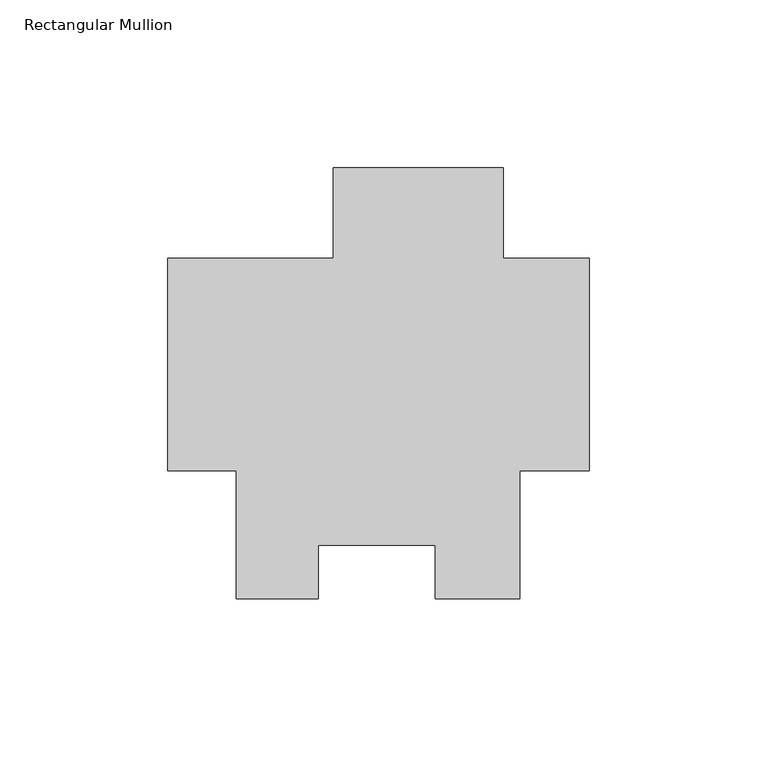
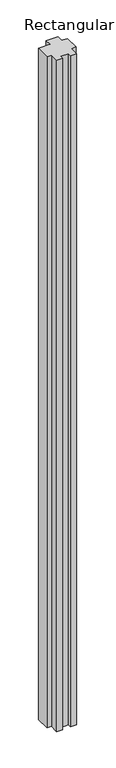
"""IFC4 building model written with IfcOpenShell, lengths in millimetres: member geometry, Rectangular Mullion."""

from ifc_helpers import new_model, si_unit, frame, origin, place, context, project, spatial, polyline, outline, extrude, source, transform, mapped, element, save


def rectangular_mullion_a20613e8(model_context):
    return source(origin(), model_context, "Body", "SweptSolid", [
        extrude(outline(polyline([(-25.577927, 58.7248001), (-25.577927, 31.7500001), (0.0, 31.7500001), (0.0, -31.75), (-20.6735973, -31.75), (-20.6735973, -69.85), (-45.9670891, -69.85), (-45.9670891, -53.9624751), (-80.8920891, -53.9624751), (-80.8920891, -69.8732034), (-105.2447888, -69.8732034), (-105.2447888, -31.75), (-125.7808, -31.75), (-125.7808, 31.7500001), (-76.377927, 31.7500001), (-76.377927, 58.7248001), (-25.577927, 58.7248001)])), frame((0.0, 0.0, -3048.0), z_axis=(0.0, 0.0, 1.0), x_axis=(1.0, 0.0, 0.0)), (0.0, 0.0, 1.0), 3048.0),
    ])


if __name__ == "__main__":
    model = new_model("IFC4")
    model_context = context("Model", 3, world=origin())
    ifc_project = project(units=[si_unit("LENGTHUNIT", "METRE", prefix="MILLI")], contexts=[model_context])
    site = spatial("IfcSite", under=ifc_project)
    building = spatial("IfcBuilding", under=site)
    placement = place(None, origin())
    rectangular_mullion_shape = rectangular_mullion_a20613e8(model_context)
    element("IfcMember", 1, ObjectType="Rectangular Mullion", at=placement, inside=building, context=model_context, shape_type="MappedRepresentation", body=[
        mapped(rectangular_mullion_shape, transform((0.0, 0.0, 0.0), x_axis=(1.0, 0.0, 0.0), y_axis=(0.0, 1.0, 0.0), z_axis=(0.0, 0.0, 1.0))),
    ])
    save(model, "model.ifc")
